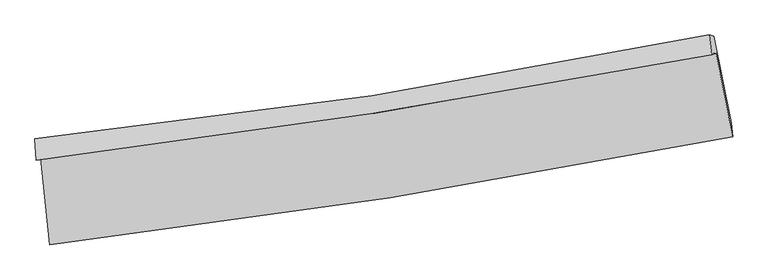
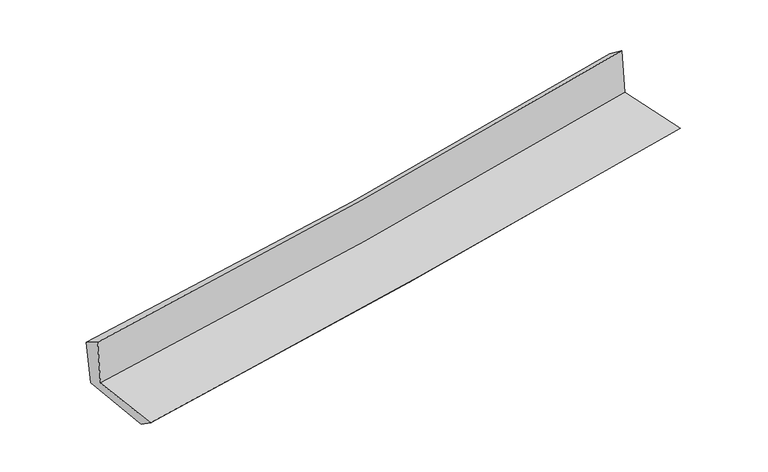
"""IFC4 building model written with IfcOpenShell, lengths in millimetres: proxy geometry."""

from ifc_helpers import new_model, si_unit, frame, origin, place, context, project, spatial, source, transform, mapped, element, save
from ifc_brep_helpers import plane_surface, spline_curve, spline_surface, advanced_brep


def generic_models_d4177e53(model_context):
    return source(origin(), model_context, "Body", "AdvancedBrep", [
        advanced_brep(
        [(-2640.1144598, -1885.5720743, 1639.2438572), (-2570.1640981, -2553.8420826, 1637.1031476), (2724.7774076, -1718.0465498, 2107.7533311), (2597.5067921, -1069.7789184, 2104.6628303), (-2674.9270675, -1901.203484, 2052.1971352), (2562.8110386, -1084.9862451, 2526.2752222), (-2683.7115741, -1733.9862784, 1953.9401327), (2542.5552485, -929.5774487, 2410.8151166), (-2647.9199808, -1744.2672738, 1560.5446912), (2579.5635864, -939.3145527, 2018.2356121), (-2576.240289, -2414.1465363, 1540.7123747), (2712.5793749, -1608.690665, 2003.515643)],
        [
            (0, 1),
            (1, 2, spline_curve(3, [(-2570.1640981, -2553.8420826, 1637.1031476), (-1688.031153608, -2450.036959418, 1732.987779331), (-807.691156666, -2328.875479962, 1820.014895469), (957.321812947, -2050.591265839, 1977.058685953), (1841.962317832, -1893.154234013, 2046.914964086), (2724.7774076, -1718.0465498, 2107.7533311)], [4, 2, 4], [0.0, 8.741004277478838, 17.560796461128557])),
            (2, 3),
            (3, 0, spline_curve(3, [(2597.5067921, -1069.7789184, 2104.6628303), (1725.924692261, -1242.018636686, 2031.968382381), (851.695129715, -1396.346263421, 1956.650514912), (-894.22570979, -1667.958724728, 1801.464196016), (-1765.869897553, -1785.562149492, 1721.642406007), (-2640.1144598, -1885.5720743, 1639.2438572)], [4, 2, 4], [0.0, 8.819792183649719, 17.560796461128557])),
            (4, 0),
            (3, 5),
            (5, 4, spline_curve(3, [(2562.8110386, -1084.9862451, 2526.2752222), (1690.637117859, -1250.344846655, 2446.89707083), (816.103147021, -1401.283009849, 2367.52426247), (-929.851531872, -1673.098935641, 2209.498328417), (-1801.230262708, -1794.233185366, 2130.845107801), (-2674.9270675, -1901.203484, 2052.1971352)], [4, 2, 4], [0.0, 8.77060721236009, 17.46286589181596])),
            (6, 4),
            (5, 7),
            (7, 6, spline_curve(3, [(2542.5552485, -929.5774487, 2410.8151166), (1674.219599179, -1109.493306849, 2340.34888971), (802.560690807, -1266.68455846, 2266.858536408), (-939.587359001, -1534.416647089, 2114.513086934), (-1810.017391309, -1645.361671937, 2035.711778921), (-2683.7115741, -1733.9862784, 1953.9401327)], [4, 2, 4], [0.0, 8.759928773845628, 17.44160440612894])),
            (8, 6),
            (7, 9),
            (9, 8, spline_curve(3, [(2579.5635864, -939.3145527, 2018.2356121), (1711.623844456, -1119.391589526, 1940.904943566), (840.059694121, -1276.708800845, 1863.929162029), (-902.499293411, -1544.621559911, 1711.371833924), (-1773.429665483, -1655.621922408, 1635.783974976), (-2647.9199808, -1744.2672738, 1560.5446912)], [4, 2, 4], [0.0, 8.750171010532862, 17.422176046380393])),
            (10, 8),
            (9, 11),
            (11, 10, spline_curve(3, [(2712.5793749, -1608.690665, 2003.515643), (1832.1201839, -1778.876690376, 1925.537994803), (949.167085048, -1931.312890703, 1847.810314349), (-813.817160597, -2199.482476182, 1693.547004426), (-1693.803949534, -2315.53156662, 1617.006928576), (-2576.240289, -2414.1465363, 1540.7123747)], [4, 2, 4], [0.0, 8.800733753395427, 17.52284985109565])),
            (1, 10),
            (11, 2),
        ],
        [
            spline_surface(3, 3, [[(-2640.1144598, -1885.5720743, 1639.2438572), (-1765.869897623, -1785.562149584, 1721.642406001), (-894.225709718, -1667.958724614, 1801.464196071), (851.695129643, -1396.346263537, 1956.650514857), (1725.924692376, -1242.01863654, 2031.968382487), (2597.5067921, -1069.7789184, 2104.6628303)], [(-2616.797672572, -2108.328743747, 1638.530287357), (-1739.923649596, -2007.053752829, 1725.424197155), (-865.380858651, -1888.264309763, 1807.647762541), (886.904024057, -1614.427930923, 1963.453238495), (1764.603900844, -1459.063835697, 2036.950576401), (2639.93033061, -1285.868128871, 2105.692997232)], [(-2593.480885328, -2331.085413153, 1637.816717443), (-1713.977401553, -2228.545356034, 1729.205988237), (-836.536007627, -2108.569894934, 1813.831329095), (922.112918428, -1832.50959833, 1970.255962218), (1803.283109281, -1676.109034841, 2041.932770317), (2682.35386909, -1501.957339329, 2106.723164168)], [(-2570.1640981, -2553.8420826, 1637.1031476), (-1688.031153526, -2450.03695928, 1732.987779391), (-807.691156561, -2328.875480083, 1820.014895566), (957.321812841, -2050.591265717, 1977.058685856), (1841.962317749, -1893.154233998, 2046.914964231), (2724.7774076, -1718.0465498, 2107.7533311)]], [4, 4], [4, 2, 4], [0.0, 2.181205861420716], [0.0, 8.741004277478838, 17.560796461128557]),
            spline_surface(3, 3, [[(-2674.9270675, -1901.203484, 2052.1971352), (-1801.23026282, -1794.233185491, 2130.845107699), (-929.851531805, -1673.098935674, 2209.498328473), (816.103146953, -1401.283009816, 2367.524262413), (1690.637117932, -1250.344846649, 2446.897070684), (2562.8110386, -1084.9862451, 2526.2752222)], [(-2663.322864923, -1895.993014079, 1914.546042503), (-1789.44347441, -1791.342840167, 1994.444207103), (-917.976257777, -1671.385531975, 2073.486951012), (827.967141182, -1399.637427711, 2230.566346567), (1702.399642735, -1247.569443249, 2308.587507944), (2574.376289755, -1079.91713617, 2385.737758226)], [(-2651.718662377, -1890.782544221, 1776.894949897), (-1777.656686032, -1788.452494908, 1858.043306597), (-906.100983746, -1669.672128312, 1937.475573533), (839.831135414, -1397.991845641, 2093.608430703), (1714.162167573, -1244.79403994, 2170.277945226), (2585.941540945, -1074.84802733, 2245.200294274)], [(-2640.1144598, -1885.5720743, 1639.2438572), (-1765.869897623, -1785.562149584, 1721.642406001), (-894.225709718, -1667.958724614, 1801.464196071), (851.695129643, -1396.346263537, 1956.650514857), (1725.924692376, -1242.01863654, 2031.968382487), (2597.5067921, -1069.7789184, 2104.6628303)]], [4, 4], [4, 2, 4], [0.0, 1.3485666887784533], [0.0, 8.692258679455868, 17.46286589181596]),
            spline_surface(3, 3, [[(-2683.7115741, -1733.9862784, 1953.9401327), (-1810.017391324, -1645.361672027, 2035.711778911), (-939.587358874, -1534.416647043, 2114.513086917), (802.560690678, -1266.684558506, 2266.858536425), (1674.219599083, -1109.493306907, 2340.348889701), (2542.5552485, -929.5774487, 2410.8151166)], [(-2680.783405231, -1789.725346942, 1986.692466882), (-1807.088348487, -1694.985509857, 2067.422888522), (-936.342083181, -1580.644076612, 2146.174834117), (807.074842773, -1311.550708968, 2300.413778435), (1679.692105382, -1156.443820162, 2375.864950012), (2549.307178549, -981.380380842, 2449.30181845)], [(-2677.855236369, -1845.464415458, 2019.444801018), (-1804.159305657, -1744.609347662, 2099.133998088), (-933.096807497, -1626.871506105, 2177.836581274), (811.588994858, -1356.416859354, 2333.969020403), (1685.164611633, -1203.394333393, 2411.381010373), (2556.059108551, -1033.183312958, 2487.78852035)], [(-2674.9270675, -1901.203484, 2052.1971352), (-1801.23026282, -1794.233185491, 2130.845107699), (-929.851531805, -1673.098935674, 2209.498328473), (816.103146953, -1401.283009816, 2367.524262413), (1690.637117932, -1250.344846649, 2446.897070684), (2562.8110386, -1084.9862451, 2526.2752222)]], [4, 4], [4, 2, 4], [0.0, 0.5526675474487711], [0.0, 8.68167563228331, 17.44160440612894]),
            spline_surface(3, 3, [[(-2647.9199808, -1744.2672738, 1560.5446912), (-1773.429665505, -1655.621922501, 1635.783975024), (-902.49929336, -1544.621560015, 1711.371833915), (840.05969407, -1276.708800741, 1863.929162037), (1711.623844315, -1119.391589553, 1940.904943502), (2579.5635864, -939.3145527, 2018.2356121)], [(-2659.850511889, -1740.840275324, 1691.676505018), (-1785.6255741, -1652.201839, 1769.093242971), (-914.86198189, -1541.219922348, 1845.752251593), (827.560026248, -1273.367386653, 1998.23895351), (1699.155762583, -1116.092162017, 2074.05292559), (2567.227473779, -936.068851379, 2149.095446954)], [(-2671.781043011, -1737.413276876, 1822.808318882), (-1797.821482728, -1648.781755527, 1902.402510964), (-927.224670345, -1537.81828471, 1980.13266924), (815.0603585, -1270.025972595, 2132.548744952), (1686.687680815, -1112.792734443, 2207.200907614), (2554.891361121, -932.823150021, 2279.955281746)], [(-2683.7115741, -1733.9862784, 1953.9401327), (-1810.017391324, -1645.361672027, 2035.711778911), (-939.587358874, -1534.416647043, 2114.513086917), (802.560690678, -1266.684558506, 2266.858536425), (1674.219599083, -1109.493306907, 2340.348889701), (2542.5552485, -929.5774487, 2410.8151166)]], [4, 4], [4, 2, 4], [0.0, 1.3283543677486869], [0.0, 8.672005035847532, 17.422176046380393]),
            spline_surface(3, 3, [[(-2576.240289, -2414.1465363, 1540.7123747), (-1693.803949467, -2315.53156654, 1617.006928585), (-813.817160543, -2199.482476287, 1693.547004356), (949.167084993, -1931.312890597, 1847.81031442), (1832.120183988, -1778.876690474, 1925.537994782), (2712.5793749, -1608.690665, 2003.515643)], [(-2600.133519609, -2190.853448794, 1547.323146881), (-1720.345854822, -2095.561685187, 1623.26594408), (-843.377871485, -1981.19550419, 1699.48861418), (912.797954682, -1713.111527305, 1853.183263597), (1791.954737403, -1559.048323509, 1930.660311025), (2668.240778706, -1385.565294242, 2008.42229937)], [(-2624.026750191, -1967.560361306, 1553.933919019), (-1746.88776015, -1875.591803854, 1629.52495953), (-872.938582418, -1762.908532112, 1705.430224091), (876.42882438, -1494.910164033, 1858.556212861), (1751.789290901, -1339.219956518, 1935.782627259), (2623.902182594, -1162.439923458, 2013.32895573)], [(-2647.9199808, -1744.2672738, 1560.5446912), (-1773.429665505, -1655.621922501, 1635.783975024), (-902.49929336, -1544.621560015, 1711.371833915), (840.05969407, -1276.708800741, 1863.929162037), (1711.623844315, -1119.391589553, 1940.904943502), (2579.5635864, -939.3145527, 2018.2356121)]], [4, 4], [4, 2, 4], [0.0, 2.1731933763161697], [0.0, 8.722116097700223, 17.52284985109565]),
            spline_surface(3, 3, [[(-2570.1640981, -2553.8420826, 1637.1031476), (-1688.031153526, -2450.03695928, 1732.987779391), (-807.691156561, -2328.875480083, 1820.014895566), (957.321812841, -2050.591265717, 1977.058685856), (1841.962317749, -1893.154233998, 2046.914964231), (2724.7774076, -1718.0465498, 2107.7533311)], [(-2572.189495076, -2507.276900516, 1604.972889959), (-1689.955418849, -2405.201828382, 1694.327495781), (-809.733157877, -2285.744478828, 1777.858931856), (954.603570237, -2010.831807354, 1933.975895404), (1838.681606496, -1855.061719486, 2006.455974415), (2720.711396701, -1681.594588196, 2073.007435067)], [(-2574.214892024, -2460.711718384, 1572.842632341), (-1691.879684144, -2360.366697438, 1655.667212195), (-811.775159227, -2242.613477542, 1735.702968065), (951.885327598, -1971.07234896, 1890.893104871), (1835.400895241, -1816.969204986, 1965.996984597), (2716.645385799, -1645.142626604, 2038.261539033)], [(-2576.240289, -2414.1465363, 1540.7123747), (-1693.803949467, -2315.53156654, 1617.006928585), (-813.817160543, -2199.482476287, 1693.547004356), (949.167084993, -1931.312890597, 1847.81031442), (1832.120183988, -1778.876690474, 1925.537994782), (2712.5793749, -1608.690665, 2003.515643)]], [4, 4], [4, 2, 4], [0.0, 0.5855168517198044], [0.0, 8.780547162896491, 17.640238655670696]),
            plane_surface(frame((2619.9655747, -1225.0657299, 2195.2096259), z_axis=(0.9774366890348263, 0.19231099718903866, 0.08737276056526011), x_axis=(-0.09382495743107098, 0.024685879385799147, 0.9952826155027564))),
            plane_surface(frame((-2632.1795782, -2038.8362882, 1730.6235564), z_axis=(-0.9907858817280601, -0.10342922251907491, -0.08743987933117219), x_axis=(-0.10410450721681193, 0.99456126074599, 0.003185937929653795))),
        ],
        [
            (0, [[1, 2, 3, 4]]),
            (1, [[5, -4, 6, 7]]),
            (2, [[8, -7, 9, 10]]),
            (3, [[11, -10, 12, 13]]),
            (4, [[14, -13, 15, 16]]),
            (5, [[17, -16, 18, -2]]),
            (6, [[-12, -9, -6, -3, -18, -15]]),
            (7, [[-1, -5, -8, -11, -14, -17]]),
        ],
    ),
    ])


if __name__ == "__main__":
    model = new_model("IFC4")
    model_context = context("Model", 3, world=origin())
    ifc_project = project(units=[si_unit("LENGTHUNIT", "METRE", prefix="MILLI")], contexts=[model_context])
    site = spatial("IfcSite", under=ifc_project)
    building = spatial("IfcBuilding", under=site)
    placement = place(None, origin())
    generic_models_shape = generic_models_d4177e53(model_context)
    element("IfcBuildingElementProxy", 1, Name="Generic Models", at=placement, inside=building, context=model_context, shape_type="MappedRepresentation", body=[
        mapped(generic_models_shape, transform((0.0, 0.0, 0.0), x_axis=(1.0, 0.0, 0.0), y_axis=(0.0, 1.0, 0.0), z_axis=(0.0, 0.0, 1.0))),
    ])
    save(model, "model.ifc")
